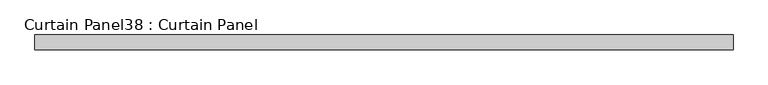
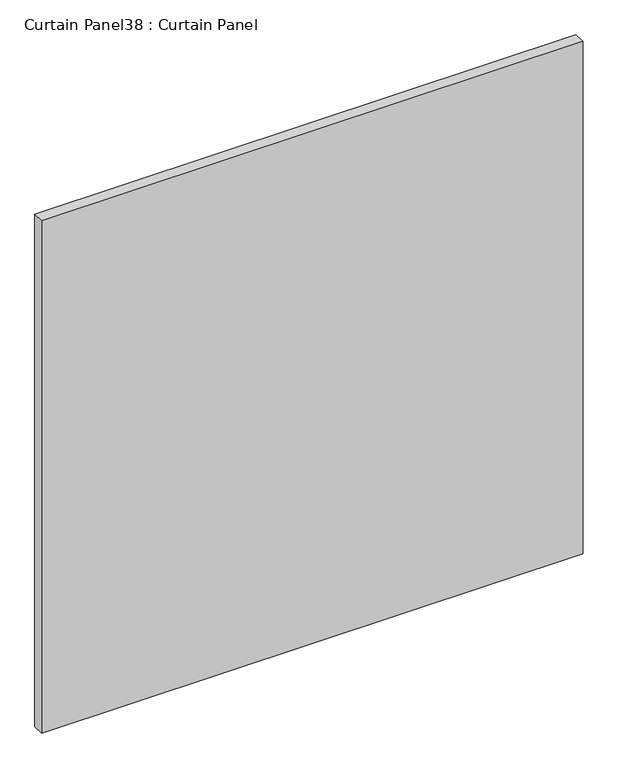
"""IFC4 building model written with IfcOpenShell, lengths in millimetres: plate geometry, Curtain Panel38 : Curtain Panel."""

from ifc_helpers import new_model, si_unit, frame, origin, place, context, project, spatial, polyline, outline, extrude, source, transform, mapped, element, save


def curtain_panel38_curtain_panel_5dbf15a2(model_context):
    return source(origin(), model_context, "Body", "SweptSolid", [
        extrude(outline(polyline([(-412624.3652248, 3483.7345246), (-413824.5149983, 3483.7345246), (-413824.5149983, 3509.1345246), (-412624.3652248, 3509.1345246), (-412624.3652248, 3483.7345246)])), frame((0.0, 0.0, 1228.7251132), z_axis=(0.0, 0.0, 1.0), x_axis=(1.0, 0.0, 0.0)), (0.0, 0.0, 1.0), 1200.1497736),
    ])


if __name__ == "__main__":
    model = new_model("IFC4")
    model_context = context("Model", 3, world=origin())
    ifc_project = project(units=[si_unit("LENGTHUNIT", "METRE", prefix="MILLI")], contexts=[model_context])
    site = spatial("IfcSite", under=ifc_project)
    building = spatial("IfcBuilding", under=site)
    placement = place(None, origin())
    curtain_panel38_curtain_panel_shape = curtain_panel38_curtain_panel_5dbf15a2(model_context)
    element("IfcPlate", 1, ObjectType="Curtain Panel38 : Curtain Panel", at=placement, inside=building, context=model_context, shape_type="MappedRepresentation", body=[
        mapped(curtain_panel38_curtain_panel_shape, transform((0.0, 0.0, 0.0), x_axis=(1.0, 0.0, 0.0), y_axis=(0.0, 1.0, 0.0), z_axis=(0.0, 0.0, 1.0))),
    ])
    save(model, "model.ifc")
